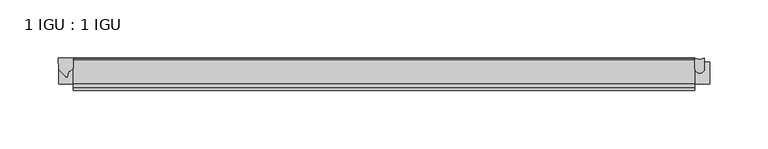
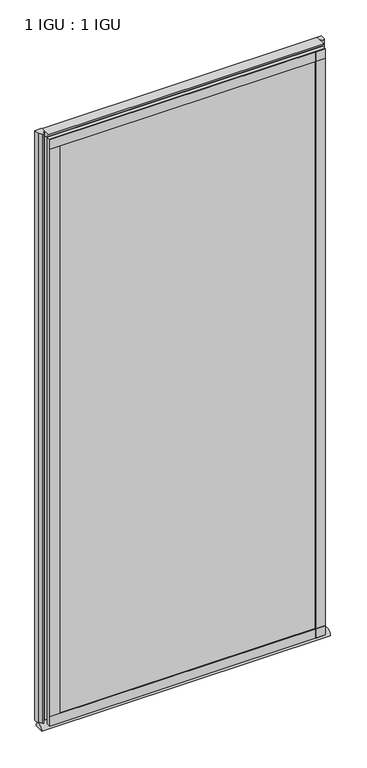
"""IFC4 building model written with IfcOpenShell, lengths in millimetres: plate geometry, 1 IGU : 1 IGU."""

from ifc_helpers import new_model, si_unit, point, frame, frame_2d, origin, place, context, project, spatial, polyline, circle_curve, ellipse_curve, trimmed, segment, composite_curve, outline, extrude, source, transform, mapped, element, save
from ifc_brep_helpers import plane_surface, cylinder_surface, revolved_surface, extruded_surface, advanced_brep


def plate_1_igu_1_igu_52e2c855(model_context):
    return source(origin(), model_context, "Body", "SolidModel", [
        extrude(outline(polyline([(266.7, -11.6085937), (266.7, -18.8576359), (-266.7, -18.8576359), (-266.7, -11.6085937), (266.7, -11.6085937)])), frame((0.0, 0.0, -19.05), z_axis=(0.0, 0.0, 1.0), x_axis=(1.0, 0.0, 0.0)), (0.0, 0.0, 1.0), 1200.15),
        extrude(outline(polyline([(-266.7, -30.7093937), (266.7, -30.7093937), (266.7, -37.0085937), (-266.7, -37.0085937), (-266.7, -30.7093937)])), frame((0.0, 0.0, -19.05), z_axis=(0.0, 0.0, 1.0), x_axis=(1.0, 0.0, 0.0)), (0.0, 0.0, 1.0), 1200.15),
        advanced_brep(
        [(279.4, -33.6472189, -28.575), (279.4, -14.9699686, -28.575), (-279.4, -33.6472189, -28.575), (-279.4, -14.9699686, -28.575)],
        [
            (0, 1),
            (1, 0, ellipse_curve(frame((279.4, -24.3085937, -28.575), z_axis=(1.0, 0.0, 0.0), x_axis=(0.0, 0.0, 1.0)), 10.6973372, 9.3386252)),
            (2, 3, ellipse_curve(frame((-279.4, -24.3085937, -28.575), z_axis=(-1.0, 0.0, 0.0), x_axis=(0.0, 0.0, 1.0)), 10.6973372, 9.3386252)),
            (3, 2),
            (0, 2),
            (3, 1),
        ],
        [
            plane_surface(frame((279.4, -9.2273438, -28.575), z_axis=(1.0, 0.0, 0.0), x_axis=(0.0, 1.0, 0.0))),
            plane_surface(frame((-279.4, -9.2273437, -28.575), z_axis=(-1.0, 0.0, 0.0), x_axis=(0.0, 1.0, 0.0))),
            plane_surface(frame((279.4, -33.6472189, -28.575), z_axis=(0.0, 0.0, -1.0), x_axis=(-1.0, 0.0, 0.0))),
            extruded_surface(trimmed(ellipse_curve(frame((-279.4, -24.3085937, -28.575), z_axis=(1.0, 0.0, 0.0), x_axis=(0.0, 0.0, 1.0)), 10.6973372, 9.3386252), [point((-279.4, -14.9699686, -28.575))], [point((-279.4, -33.6472189, -28.575))], True, "CARTESIAN"), (558.8, 0.0, 0.0), 558.8),
        ],
        [
            (0, [[1, 2]]),
            (1, [[3, 4]]),
            (2, [[-1, 5, -4, 6]]),
            (3, [[-2, -6, -3, -5]]),
        ],
    ),
        extrude(outline(composite_curve([segment(polyline([(-266.7, -11.610702), (-266.7, -20.1014769)]), True, "CONTINUOUS"), segment(trimmed(circle_curve(frame_2d((-272.9811943, -16.3829847)), 7.2993552), [point((-266.7, -20.1014769))], [point((-270.7989498, -23.3484994))], False, "CARTESIAN"), True, "CONTINUOUS"), segment(polyline([(-270.7989498, -23.3484994), (-272.0604364, -27.4746364)]), True, "CONTINUOUS"), segment(trimmed(circle_curve(frame_2d((-272.7891407, -27.2518492)), 0.762), [point((-272.0604364, -27.4746364))], [point((-273.4619467, -27.6095865))], False, "CARTESIAN"), True, "CONTINUOUS"), segment(polyline([(-273.4619467, -27.6095865), (-279.4, -21.3502133), (-279.7779091, -11.610702), (-266.7, -11.610702)]), True, "CONTINUOUS")], self_intersect=False)), frame((0.0, 0.0, -19.05), z_axis=(0.0, 0.0, 1.0), x_axis=(1.0, 0.0, 0.0)), (0.0, 0.0, 1.0), 1207.2874),
        extrude(outline(composite_curve([segment(trimmed(circle_curve(frame_2d((270.7937298, -20.4985938)), 4.0937298), [point((274.8874596, -20.4985937))], [point((266.7, -20.4985938))], False, "CARTESIAN"), True, "CONTINUOUS"), segment(polyline([(266.7, -20.4985938), (266.7, -11.6085938)]), True, "CONTINUOUS"), segment(trimmed(circle_curve(frame_2d((270.7937298, -4.9389529)), 7.8257736), [point((266.7, -11.6085938))], [point((274.8874596, -11.6085938))], True, "CARTESIAN"), True, "CONTINUOUS"), segment(polyline([(274.8874596, -11.6085938), (274.8874596, -20.4985937)]), True, "CONTINUOUS")], self_intersect=False)), frame((0.0, 0.0, -19.05), z_axis=(0.0, 0.0, 1.0), x_axis=(1.0, 0.0, 0.0)), (0.0, 0.0, 1.0), 1207.2874),
        extrude(outline(polyline([(-266.7, -39.2945937), (-266.7, -37.0085937), (266.7, -37.0085937), (266.7, -39.2945937), (-266.7, -39.2945937)])), frame((0.0, 0.0, -19.05), z_axis=(0.0, 0.0, 1.0), x_axis=(1.0, 0.0, 0.0)), (0.0, 0.0, 1.0), 19.05),
        advanced_brep(
        [(-266.7, -24.3085937, 1179.9276628), (-266.7, -33.4116395, 1188.2374), (-266.7, -12.7165288, 1188.2374), (-266.7, -11.6085937, 1181.1), (-266.7, -17.9077937, 1181.1), (266.7, -24.3085937, 1179.9276628), (266.7, -17.9077937, 1181.1), (266.7, -11.6085937, 1181.1), (266.7, -12.7165288, 1188.2374), (266.7, -33.4116395, 1188.2374)],
        [
            (0, 1, ellipse_curve(frame((-266.7, -24.3085937, 1190.625), z_axis=(-1.0, 0.0, 0.0), x_axis=(0.0, 0.0, -1.0)), 10.6973372, 9.3386252)),
            (1, 2),
            (2, 3, circle_curve(frame((-266.7, 26.2083666, 1190.625), z_axis=(1.0, 0.0, 0.0), x_axis=(0.0, 0.0, -1.0)), 38.9980527)),
            (3, 4),
            (4, 0, circle_curve(frame((-266.7, -24.3085937, 1197.9875763), z_axis=(-1.0, 0.0, 0.0), x_axis=(0.0, 0.0, -1.0)), 18.0599135)),
            (5, 6, circle_curve(frame((266.7, -24.3085937, 1197.9875763), z_axis=(1.0, 0.0, 0.0), x_axis=(0.0, 0.0, -1.0)), 18.0599135)),
            (6, 7),
            (7, 8, circle_curve(frame((266.7, 26.2083666, 1190.625), z_axis=(-1.0, 0.0, 0.0), x_axis=(0.0, 0.0, -1.0)), 38.9980527)),
            (8, 9),
            (9, 5, ellipse_curve(frame((266.7, -24.3085937, 1190.625), z_axis=(1.0, 0.0, 0.0), x_axis=(0.0, 0.0, -1.0)), 10.6973372, 9.3386252)),
            (0, 5),
            (9, 1),
            (8, 2),
            (7, 3),
            (6, 4),
        ],
        [
            plane_surface(frame((-266.7, -9.2273437, 1190.625), z_axis=(-1.0, 0.0, 0.0), x_axis=(0.0, 1.0, 0.0))),
            plane_surface(frame((266.7, -9.2273438, 1190.625), z_axis=(1.0, 0.0, 0.0), x_axis=(0.0, 1.0, 0.0))),
            extruded_surface(trimmed(ellipse_curve(frame((266.7, -24.3085937, 1190.625), z_axis=(-1.0, 0.0, 0.0), x_axis=(0.0, 0.0, -1.0)), 10.6973372, 9.3386252), [point((266.7, -24.3085937, 1179.9276628))], [point((266.7, -33.4116395, 1188.2374))], True, "CARTESIAN"), (-533.4, 0.0, 0.0), 533.4),
            plane_surface(frame((-266.7, -33.4116395, 1188.2374), z_axis=(0.0, 0.0, 1.0), x_axis=(1.0, 0.0, 0.0))),
            revolved_surface(polyline([(266.7, 26.2083666, 1151.6269473), (-266.7, 26.2083666, 1151.6269473)]), (-266.7, 26.2083666, 1190.625), (1.0, 0.0, 0.0)),
            plane_surface(frame((-266.7, -11.6085937, 1181.1), z_axis=(0.0, 0.0, -1.0), x_axis=(1.0, 0.0, 0.0))),
            cylinder_surface(frame((-266.7, -24.3085937, 1197.9875763), z_axis=(-1.0, 0.0, 0.0), x_axis=(0.0, 0.0, -1.0)), 18.0599135),
        ],
        [
            (0, [[1, 2, 3, 4, 5]]),
            (1, [[6, 7, 8, 9, 10]]),
            (2, [[-1, 11, -10, 12]]),
            (3, [[-2, -12, -9, 13]]),
            (4, [[-3, -13, -8, 14]]),
            (5, [[-4, -14, -7, 15]]),
            (6, [[-5, -15, -6, -11]]),
        ],
    ),
        extrude(outline(polyline([(-266.7, -39.2945937), (-266.7, -37.0085937), (266.7, -37.0085937), (266.7, -39.2945937), (-266.7, -39.2945937)])), frame((0.0, 0.0, 1162.05), z_axis=(0.0, 0.0, 1.0), x_axis=(1.0, 0.0, 0.0)), (0.0, 0.0, 1.0), 19.05),
        extrude(outline(polyline([(247.65, -37.0085937), (266.7, -37.0085937), (266.7, -39.2945938), (247.65, -39.2945938), (247.65, -37.0085937)])), frame((0.0, 0.0, -19.05), z_axis=(0.0, 0.0, 1.0), x_axis=(1.0, 0.0, 0.0)), (0.0, 0.0, 1.0), 1200.15),
        extrude(outline(polyline([(-266.7, -39.2945937), (-266.7, -37.0085937), (-247.65, -37.0085937), (-247.65, -39.2945937), (-266.7, -39.2945937)])), frame((0.0, 0.0, -19.05), z_axis=(0.0, 0.0, 1.0), x_axis=(1.0, 0.0, 0.0)), (0.0, 0.0, 1.0), 1200.15),
    ])


if __name__ == "__main__":
    model = new_model("IFC4")
    model_context = context("Model", 3, world=origin())
    ifc_project = project(units=[si_unit("LENGTHUNIT", "METRE", prefix="MILLI")], contexts=[model_context])
    site = spatial("IfcSite", under=ifc_project)
    building = spatial("IfcBuilding", under=site)
    placement = place(None, origin())
    plate_1_igu_1_igu_shape = plate_1_igu_1_igu_52e2c855(model_context)
    element("IfcPlate", 1, ObjectType="1 IGU : 1 IGU", at=placement, inside=building, context=model_context, shape_type="MappedRepresentation", body=[
        mapped(plate_1_igu_1_igu_shape, transform((0.0, 0.0, 0.0), x_axis=(1.0, 0.0, 0.0), y_axis=(0.0, 1.0, 0.0), z_axis=(0.0, 0.0, 1.0))),
    ])
    save(model, "model.ifc")
